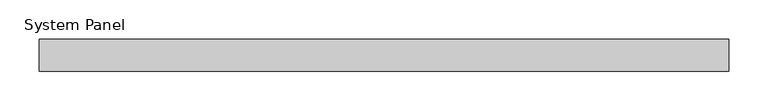
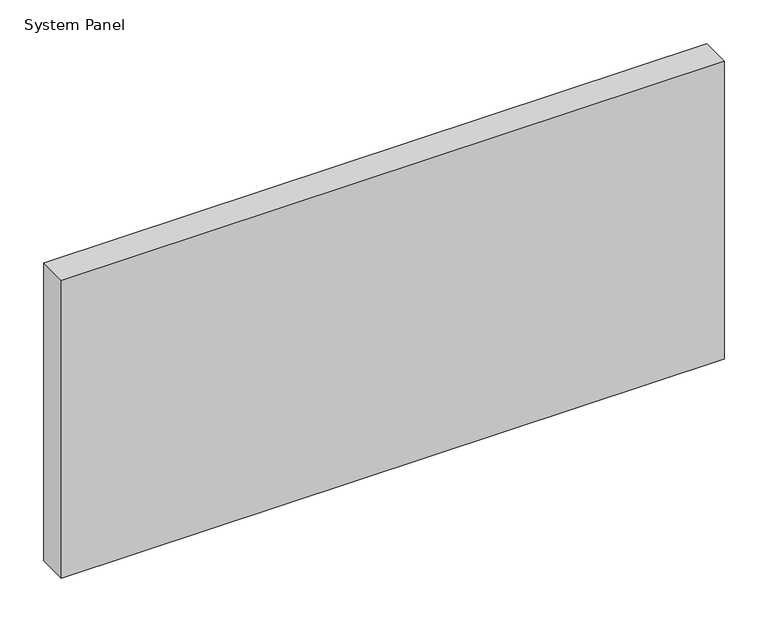
"""IFC4 building model written with IfcOpenShell, lengths in millimetres: plate geometry, System Panel."""

from ifc_helpers import new_model, si_unit, origin, origin_with_axes, place, context, project, spatial, polyline, outline, extrude, source, transform, mapped, element, save


def system_panel_36d2852f(model_context):
    return source(origin(), model_context, "Body", "SweptSolid", [
        extrude(outline(polyline([(436.6666667, 14.0), (-436.6666667, 14.0), (-436.6666667, 54.0), (436.6666667, 54.0), (436.6666667, 14.0)])), origin_with_axes(), (0.0, 0.0, 1.0), 415.0),
    ])


if __name__ == "__main__":
    model = new_model("IFC4")
    model_context = context("Model", 3, world=origin())
    ifc_project = project(units=[si_unit("LENGTHUNIT", "METRE", prefix="MILLI")], contexts=[model_context])
    site = spatial("IfcSite", under=ifc_project)
    building = spatial("IfcBuilding", under=site)
    placement = place(None, origin())
    system_panel_shape = system_panel_36d2852f(model_context)
    element("IfcPlate", 1, ObjectType="System Panel", at=placement, inside=building, context=model_context, shape_type="MappedRepresentation", body=[
        mapped(system_panel_shape, transform((0.0, 0.0, 0.0), x_axis=(1.0, 0.0, 0.0), y_axis=(0.0, 1.0, 0.0), z_axis=(0.0, 0.0, 1.0))),
    ])
    save(model, "model.ifc")
